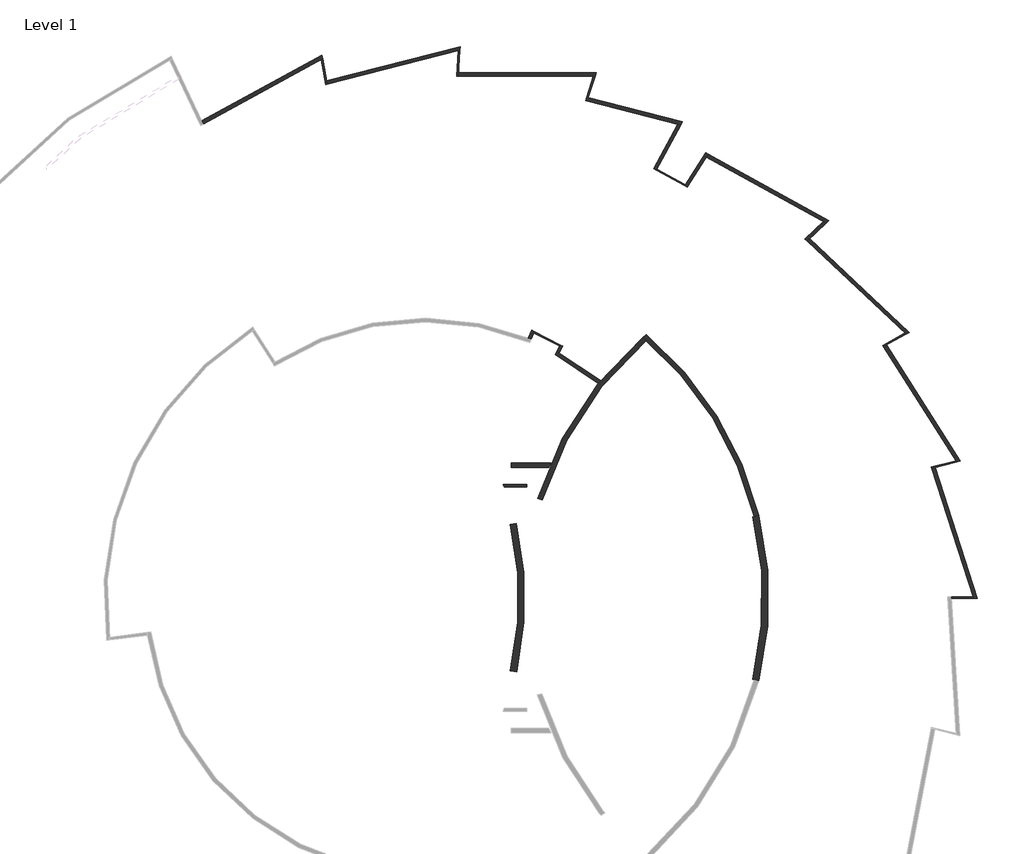
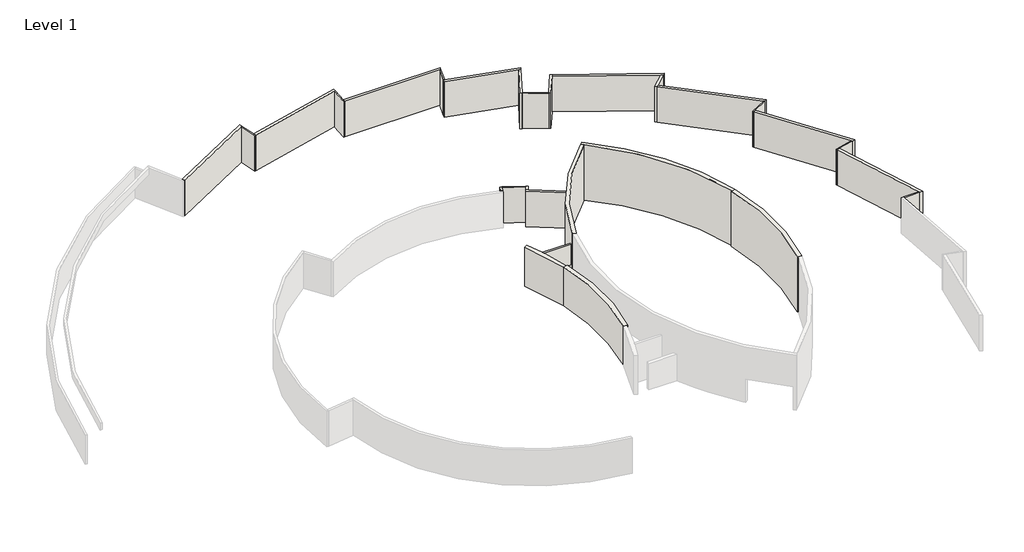
# One storey, part 3 of 3: 29 walls.
"""IFC4 building model written with IfcOpenShell, lengths in millimetres."""

from ifc_helpers import new_model, si_unit, point, frame, frame_2d, origin, origin_with_axes, place, context, project, spatial, polyline, circle_curve, trimmed, segment, composite_curve, outline, extrude, faceted_brep, element, save
from ifc_brep_helpers import plane_surface, cylinder_surface, revolved_surface, advanced_brep

model = new_model("IFC4")

# Units and contexts
model_context = context("Model", 3, world=origin())
ifc_project = project(units=[si_unit("LENGTHUNIT", "METRE", prefix="MILLI")], contexts=[model_context])

# Site, building, storey
site = spatial("IfcSite", under=ifc_project)
building = spatial("IfcBuilding", under=site)
storey = spatial("IfcBuildingStorey", under=building, Name="Level 1", Elevation=0.0)

# Walls
placement = place(None, origin())
element("IfcWall", 1, ObjectType="Generic - 10\"", at=placement, inside=storey, context=model_context, shape_type="Brep", body=[
    faceted_brep([(-20309.038641, 33583.3014268, 0.0), (-12108.4465106, 38075.5646692, 0.0), (-12014.8002829, 38126.8638315, 0.0), (-12014.8002829, 38126.8638315, 3702.05), (-12108.4465106, 38075.5646692, 3702.05), (-20309.038641, 33583.3014268, 3702.05), (-20417.3902767, 33813.5603734, 0.0), (-20417.3902767, 33813.5603734, 3702.05), (-12064.8200832, 38389.0768072, 3702.05), (-12064.8200832, 38389.0768072, 0.0)], [[[0, 1, 2, 3, 4, 5]], [[6, 7, 8, 9]], [[2, 1, 0, 6, 9]], [[3, 2, 9, 8]], [[0, 5, 7, 6]], [[5, 4, 3, 8, 7]]]),
])
element("IfcWall", 2, ObjectType="Generic - 10\"", at=placement, inside=storey, context=model_context, shape_type="Brep", body=[
    faceted_brep([(-11678.55023, 36364.1793247, 0.0), (-2569.0986589, 38688.4885987, 0.0), (-2465.6369168, 38714.8872337, 0.0), (-2465.6369168, 38714.8872337, 3702.05), (-2569.0986589, 38688.4885987, 3702.05), (-11678.55023, 36364.1793247, 3702.05), (-11726.2347283, 36614.1502191, 0.0), (-11726.2347283, 36614.1502191, 3702.05), (-2448.8755377, 38981.3017251, 3702.05), (-2448.8755377, 38981.3017251, 0.0)], [[[0, 1, 2, 3, 4, 5]], [[6, 7, 8, 9]], [[2, 1, 0, 6, 9]], [[3, 2, 9, 8]], [[0, 5, 7, 6]], [[5, 4, 3, 8, 7]]]),
])
element("IfcWall", 3, ObjectType="Generic - 10\"", at=placement, inside=storey, context=model_context, shape_type="Brep", body=[
    faceted_brep([(-2578.3125886, 36923.9587142, 0.0), (6822.9810213, 36909.817055, 0.0), (6929.7573961, 36909.6564393, 0.0), (6929.7573961, 36909.6564393, 3702.05), (6822.9810213, 36909.817055, 3702.05), (-2578.3125886, 36923.9587142, 3702.05), (-2562.3337573, 37177.9349658, 0.0), (-2562.3337573, 37177.9349658, 3702.05), (7012.2467755, 37163.5326441, 3702.05), (7012.2467755, 37163.5326441, 0.0)], [[[0, 1, 2, 3, 4, 5]], [[6, 7, 8, 9]], [[2, 1, 0, 6, 9]], [[3, 2, 9, 8]], [[0, 5, 7, 6]], [[5, 4, 3, 8, 7]]]),
])
element("IfcWall", 4, ObjectType="Generic - 10\"", at=placement, inside=storey, context=model_context, shape_type="Brep", body=[
    faceted_brep([(6276.6806166, 35228.477293, 0.0), (12681.0993627, 33573.8293029, 0.0), (12883.7984788, 33521.4598844, 0.0), (12883.7984788, 33521.4598844, 3702.05), (12681.0993627, 33573.8293029, 3702.05), (6276.6806166, 35228.477293, 3702.05), (6355.318769, 35470.5006399, 0.0), (6355.318769, 35470.5006399, 3702.05), (6453.8739786, 35445.0378796, 3702.05), (13008.3218551, 33751.6283079, 3702.05), (13008.3218551, 33751.6283079, 0.0), (6453.8739786, 35445.0378796, 0.0)], [[[0, 1, 2, 3, 4, 5]], [[6, 7, 8, 9, 10, 11]], [[2, 1, 0, 6, 11, 10]], [[3, 2, 10, 9]], [[0, 5, 7, 6]], [[5, 4, 3, 9, 8, 7]]]),
])
element("IfcWall", 5, ObjectType="Generic - 10\"", at=placement, inside=storey, context=model_context, shape_type="Brep", body=[
    faceted_brep([(14664.0739317, 31284.8937898, 0.0), (22804.3684974, 26793.7701936, 0.0), (22991.3514441, 26690.6088747, 0.0), (22991.3514441, 26690.6088747, 3702.05), (22804.3684974, 26793.7701936, 3702.05), (14664.0739317, 31284.8937898, 3702.05), (14800.4302807, 31499.7570149, 0.0), (14800.4302807, 31499.7570149, 3702.05), (23185.9432326, 26873.3427273, 3702.05), (23185.9432326, 26873.3427273, 0.0)], [[[0, 1, 2, 3, 4, 5]], [[6, 7, 8, 9]], [[2, 1, 0, 6, 9]], [[3, 2, 9, 8]], [[0, 5, 7, 6]], [[5, 4, 3, 8, 7]]]),
])
element("IfcWall", 6, ObjectType="Generic - 10\"", at=placement, inside=storey, context=model_context, shape_type="Brep", body=[
    faceted_brep([(21673.5426477, 25453.1040442, 0.0), (28480.0612096, 19042.0631462, 0.0), (28557.7878879, 18968.8526041, 0.0), (28557.7878879, 18968.8526041, 3702.05), (28480.0612096, 19042.0631462, 3702.05), (21673.5426477, 25453.1040442, 3702.05), (21859.0494225, 25627.306501, 0.0), (21859.0494225, 25627.306501, 3702.05), (28791.7102788, 19097.4525268, 3702.05), (28791.7102788, 19097.4525268, 0.0)], [[[0, 1, 2, 3, 4, 5]], [[6, 7, 8, 9]], [[2, 1, 0, 6, 9]], [[3, 2, 9, 8]], [[0, 5, 7, 6]], [[5, 4, 3, 8, 7]]]),
])
element("IfcWall", 7, ObjectType="Generic - 10\"", at=placement, inside=storey, context=model_context, shape_type="Brep", body=[
    faceted_brep([(26985.2822823, 18104.3603318, 0.0), (32010.8071081, 10159.0081211, 0.0), (32067.8851385, 10068.7677839, 0.0), (32067.8851385, 10068.7677839, 3702.05), (32010.8071081, 10159.0081211, 3702.05), (26985.2822823, 18104.3603318, 3702.05), (27208.2834099, 18226.9562392, 0.0), (27208.2834099, 18226.9562392, 3702.05), (32326.4399276, 10135.1533705, 3702.05), (32326.4399276, 10135.1533705, 0.0)], [[[0, 1, 2, 3, 4, 5]], [[6, 7, 8, 9]], [[2, 1, 0, 6, 9]], [[3, 2, 9, 8]], [[0, 5, 7, 6]], [[5, 4, 3, 8, 7]]]),
])
element("IfcWall", 8, ObjectType="Generic - 10\"", at=placement, inside=storey, context=model_context, shape_type="Brep", body=[
    faceted_brep([(30329.7922024, 9622.5013677, 0.0), (33221.5021798, 676.9698053, 0.0), (33254.3451396, 575.3698053, 0.0), (33254.3451396, 575.3698053, 3702.05), (33221.5021798, 676.9698053, 3702.05), (30329.7922024, 9622.5013677, 3702.05), (30576.2757019, 9685.7875739, 0.0), (30576.2757019, 9685.7875739, 3702.05), (33521.2863786, 575.3698053, 3702.05), (33521.2863786, 575.3698053, 0.0)], [[[0, 1, 2, 3, 4, 5]], [[6, 7, 8, 9]], [[2, 1, 0, 6, 9]], [[3, 2, 9, 8]], [[0, 5, 7, 6]], [[5, 4, 3, 8, 7]]]),
])
element("IfcWall", 9, ObjectType="Generic - 10\"", at=placement, inside=storey, context=model_context, shape_type="AdvancedBrep", body=[
    advanced_brep(
    [(4154.6240339, 17552.852963, 0.0), (4275.7491546, 17776.116233, 0.0), (4454.3715538, 17679.2094634, 0.0), (7329.5883462, 15748.1260068, 0.0), (7170.1048478, 15550.4363322, 0.0), (7170.1048478, 15550.4363322, 3702.05), (4154.6240339, 17552.852963, 3702.05), (4275.7491546, 17776.116233, 3702.05), (4454.3586103, 17679.2167571, 3702.05), (7329.5883462, 15748.1260068, 3702.05)],
    [
        (0, 1),
        (1, 2, circle_curve(frame((-4912.8763403, 626.1698053, 0.0), z_axis=(0.0, 0.0, -1.0), x_axis=(1.0, 0.0, 0.0)), 19456.4)),
        (2, 3, circle_curve(frame((-4912.8763403, 626.1698053, 0.0), z_axis=(0.0, 0.0, -1.0), x_axis=(1.0, 0.0, 0.0)), 19456.3998389)),
        (3, 4, circle_curve(frame((25871.9236597, 626.1698053, 0.0), z_axis=(0.0, 0.0, 1.0), x_axis=(1.0, 0.0, 0.0)), 23926.8)),
        (4, 0, circle_curve(frame((-4912.8763403, 626.1698053, 0.0), z_axis=(0.0, 0.0, 1.0), x_axis=(1.0, 0.0, 0.0)), 19202.4)),
        (5, 6, circle_curve(frame((-4912.8763403, 626.1698053, 3702.05), z_axis=(0.0, 0.0, 1.0), x_axis=(1.0, 0.0, 0.0)), 19202.4)),
        (6, 0),
        (4, 5),
        (7, 8, circle_curve(frame((-4912.8763403, 626.1698053, 3702.05), z_axis=(0.0, 0.0, -1.0), x_axis=(1.0, 0.0, 0.0)), 19456.4)),
        (8, 9, circle_curve(frame((-4912.8763403, 626.1698053, 3702.05), z_axis=(0.0, 0.0, -1.0), x_axis=(1.0, 0.0, 0.0)), 19456.4)),
        (9, 3),
        (1, 7),
        (6, 7),
        (9, 5, circle_curve(frame((25871.9236597, 626.1698053, 3702.05), z_axis=(0.0, 0.0, 1.0), x_axis=(1.0, 0.0, 0.0)), 23926.8)),
    ],
    [
        plane_surface(frame((14289.5236597, 626.1698053, 0.0), z_axis=(0.0, 0.0, -1.0), x_axis=(0.0, 1.0, 0.0))),
        revolved_surface(polyline([(14289.5236597, 626.1698053, 0.0), (14289.5236597, 626.1698053, 3702.05)]), (-4912.8763403, 626.1698053, 0.0), (0.0, 0.0, -1.0)),
        cylinder_surface(frame((-4912.8763403, 626.1698053, 0.0), z_axis=(0.0, 0.0, 1.0), x_axis=(1.0, 0.0, 0.0)), 19456.4),
        plane_surface(frame((6359.1989502, 21616.4245976, 0.0), z_axis=(-0.8789771088318998, 0.47686396608415965, 0.0), x_axis=(-0.47686396608415965, -0.8789771088318998, 0.0))),
        revolved_surface(polyline([(49798.7236597, 626.1698053, 3702.05), (49798.7236597, 626.1698053, 0.0)]), (25871.9236597, 626.1698053, 0.0), (0.0, 0.0, 1.0)),
        plane_surface(frame((-34574.7876747, -20861.6779878, 3702.05), z_axis=(0.0, 0.0, 1.0), x_axis=(1.0, 0.0, 0.0))),
    ],
    [
        (0, [[1, 2, 3, 4, 5]]),
        (1, [[6, 7, -5, 8]]),
        (2, [[9, 10, 11, -3, -2, 12]]),
        (3, [[13, -12, -1, -7]]),
        (4, [[14, -8, -4, -11]]),
        (5, [[-6, -14, -10, -9, -13]]),
    ],
),
])
element("IfcWall", 10, ObjectType="MASONRY WALL - 1'-5\"", at=placement, inside=storey, context=model_context, shape_type="AdvancedBrep", body=[
    advanced_brep(
    [(17896.564685, 6260.3889272, 5759.45), (17890.9914576, -5030.5640983, 5759.45), (18001.9291929, -5058.0833443, 5759.45), (18310.0895685, -5134.5256944, 5759.45), (18315.7652228, 6363.9367381, 5759.45), (18007.5295332, 6287.7986419, 5759.45), (17896.564685, 6260.3889272, 0.0), (18007.5295332, 6287.7986419, 0.0), (18315.7652228, 6363.9367381, 0.0), (18310.0895685, -5134.5256944, 0.0), (18001.9291929, -5058.0833443, 0.0), (17890.9914576, -5030.5640983, 0.0)],
    [
        (0, 1, circle_curve(frame((-4912.8763403, 626.1698053, 5759.45), z_axis=(0.0, 0.0, -1.0), x_axis=(1.0, 0.0, 0.0)), 23495.0)),
        (1, 2),
        (2, 3),
        (3, 4, circle_curve(frame((-4912.8763403, 626.1698053, 5759.45), z_axis=(0.0, 0.0, 1.0), x_axis=(1.0, 0.0, 0.0)), 23926.8)),
        (4, 5),
        (5, 0),
        (6, 7),
        (7, 8),
        (8, 9, circle_curve(frame((-4912.8763403, 626.1698053, 0.0), z_axis=(0.0, 0.0, -1.0), x_axis=(1.0, 0.0, 0.0)), 23926.8)),
        (9, 10),
        (10, 11),
        (11, 6, circle_curve(frame((-4912.8763403, 626.1698053, 0.0), z_axis=(0.0, 0.0, 1.0), x_axis=(1.0, 0.0, 0.0)), 23495.0)),
        (0, 6),
        (11, 1),
        (9, 3),
        (8, 4),
    ],
    [
        plane_surface(frame((18582.1236597, 626.1698053, 5759.45), z_axis=(0.0, 0.0, 1.0), x_axis=(0.0, -1.0, 0.0))),
        plane_surface(frame((18582.1236597, 626.1698053, 0.0), z_axis=(0.0, 0.0, -1.0), x_axis=(0.0, 1.0, 0.0))),
        revolved_surface(polyline([(18582.1236597, 626.1698053, 0.0), (18582.1236597, 626.1698053, 5759.45)]), (-4912.8763403, 626.1698053, 0.0), (0.0, 0.0, -1.0)),
        plane_surface(frame((17890.9914576, -5030.5640983, 5759.45), z_axis=(-0.24076330723907763, -0.9705838603064145, 0.0), x_axis=(0.0, 0.0, -1.0))),
        cylinder_surface(frame((-4912.8763403, 626.1698053, 0.0), z_axis=(0.0, 0.0, 1.0), x_axis=(1.0, 0.0, 0.0)), 23926.8),
        plane_surface(frame((18315.7652228, 6363.9367381, 5759.45), z_axis=(-0.23980502753699615, 0.9708210693881651, 0.0), x_axis=(0.0, 0.0, -1.0))),
    ],
    [
        (0, [[1, 2, 3, 4, 5, 6]]),
        (1, [[7, 8, 9, 10, 11, 12]]),
        (2, [[-1, 13, -12, 14]]),
        (3, [[-3, -2, -14, -11, -10, 15]]),
        (4, [[-4, -15, -9, 16]]),
        (5, [[-6, -5, -16, -8, -7, -13]]),
    ],
),
])
element("IfcWall", 11, ObjectType="MASONRY WALL - 1'-5\"", at=placement, inside=storey, context=model_context, shape_type="AdvancedBrep", body=[
    advanced_brep(
    [(1045.669803, 5721.5107399, 4064.0), (1052.0686943, -4440.8076563, 4064.0), (1361.8286645, -4510.4855642, 4064.0), (1473.3422538, -4535.569611, 4064.0), (1466.8236912, 5816.8031446, 4064.0), (1355.3417796, 5791.5786845, 4064.0), (1052.0686943, -4440.8076563, 0.0), (1045.669803, 5721.5107399, 0.0), (1355.3417796, 5791.5786845, 0.0), (1466.8236912, 5816.8031446, 0.0), (1473.3422538, -4535.569611, 0.0), (1361.8286645, -4510.4855642, 0.0)],
    [
        (0, 1, circle_curve(frame((-21473.6763403, 626.1698053, 4064.0), z_axis=(0.0, 0.0, -1.0), x_axis=(1.0, 0.0, 0.0)), 23088.6)),
        (1, 2),
        (2, 3),
        (3, 4, circle_curve(frame((-21473.6763403, 626.1698053, 4064.0), z_axis=(0.0, 0.0, 1.0), x_axis=(1.0, 0.0, 0.0)), 23520.4)),
        (4, 5),
        (5, 0),
        (6, 7, circle_curve(frame((-21473.6763403, 626.1698053, 0.0), z_axis=(0.0, 0.0, 1.0), x_axis=(1.0, 0.0, 0.0)), 23088.6)),
        (7, 8),
        (8, 9),
        (9, 10, circle_curve(frame((-21473.6763403, 626.1698053, 0.0), z_axis=(0.0, 0.0, -1.0), x_axis=(1.0, 0.0, 0.0)), 23520.4)),
        (10, 11),
        (11, 6),
        (0, 7),
        (6, 1),
        (10, 3),
        (9, 4),
    ],
    [
        plane_surface(frame((1614.9236597, 626.1698053, 4064.0), z_axis=(0.0, 0.0, 1.0), x_axis=(0.0, -1.0, 0.0))),
        plane_surface(frame((1614.9236597, 626.1698053, 0.0), z_axis=(0.0, 0.0, -1.0), x_axis=(0.0, 1.0, 0.0))),
        revolved_surface(polyline([(1614.923659699998, 626.1698053, 0.0), (1614.923659699998, 626.1698053, 4064.0)]), (-21473.6763403, 626.1698053, 0.0), (0.0, 0.0, -1.0)),
        plane_surface(frame((1052.0686943, -4440.8076563, 4064.0), z_axis=(-0.2194579775982623, -0.9756219534576294, 0.0), x_axis=(0.0, 0.0, -1.0))),
        cylinder_surface(frame((-21473.6763403, 626.1698053, 0.0), z_axis=(0.0, 0.0, 1.0), x_axis=(1.0, 0.0, 0.0)), 23520.4),
        plane_surface(frame((1466.8236912, 5816.8031446, 4064.0), z_axis=(-0.22068643982820546, 0.9753448084015991, 0.0), x_axis=(0.0, 0.0, -1.0))),
    ],
    [
        (0, [[1, 2, 3, 4, 5, 6]]),
        (1, [[7, 8, 9, 10, 11, 12]]),
        (2, [[-1, 13, -7, 14]]),
        (3, [[-3, -2, -14, -12, -11, 15]]),
        (4, [[-4, -15, -10, 16]]),
        (5, [[-16, -9, -8, -13, -6, -5]]),
    ],
),
])
element("IfcWall", 12, ObjectType="MASONRY WALL - 12-1/2\"", at=placement, inside=storey, context=model_context, shape_type="AdvancedBrep", body=[
    advanced_brep(
    [(3267.9075836, 7442.143963, 5759.45), (10479.5236597, 18527.9314149, 5759.45), (10234.3911308, 18735.8173625, 5759.45), (2963.9267326, 7533.8057995, 5759.45), (10479.5236597, 18527.9314149, 0.0), (3267.9075836, 7442.143963, 0.0), (2963.9267326, 7533.8057995, 0.0), (3729.9542486, 9693.966917, 0.0), (3862.6565803, 10011.4732264, 0.0), (7170.1075947, 15550.4396949, 0.0), (7329.5859211, 15748.1228734, 0.0), (10234.3911308, 18735.8173625, 0.0)],
    [
        (0, 1, circle_curve(frame((25871.9236597, 626.1698053, 5759.45), z_axis=(0.0, 0.0, -1.0), x_axis=(1.0, 0.0, 0.0)), 23609.3)),
        (1, 2, circle_curve(frame((-4912.8763403, 626.1698053, 5759.45), z_axis=(0.0, 0.0, 1.0), x_axis=(1.0, 0.0, 0.0)), 23609.3)),
        (2, 3, circle_curve(frame((25871.9236597, 626.1698053, 5759.45), z_axis=(0.0, 0.0, 1.0), x_axis=(1.0, 0.0, 0.0)), 23926.8)),
        (3, 0),
        (4, 5, circle_curve(frame((25871.9236597, 626.1698053, 0.0), z_axis=(0.0, 0.0, 1.0), x_axis=(1.0, 0.0, 0.0)), 23609.3)),
        (5, 6),
        (6, 7, circle_curve(frame((25871.9236597, 626.1698053, 0.0), z_axis=(0.0, 0.0, -1.0), x_axis=(1.0, 0.0, 0.0)), 23926.8)),
        (7, 8, circle_curve(frame((25871.9236597, 626.1698053, 0.0), z_axis=(0.0, 0.0, -1.0), x_axis=(1.0, 0.0, 0.0)), 23926.7999085)),
        (8, 9, circle_curve(frame((25871.9236597, 626.1698053, 0.0), z_axis=(0.0, 0.0, -1.0), x_axis=(1.0, 0.0, 0.0)), 23926.7999883)),
        (9, 10, circle_curve(frame((25871.9236597, 626.1698053, 0.0), z_axis=(0.0, 0.0, -1.0), x_axis=(1.0, 0.0, 0.0)), 23926.7999505)),
        (10, 11, circle_curve(frame((25871.9236597, 626.1698053, 0.0), z_axis=(0.0, 0.0, -1.0), x_axis=(1.0, 0.0, 0.0)), 23926.7998991)),
        (11, 4, circle_curve(frame((-4912.8763403, 626.1698053, 0.0), z_axis=(0.0, 0.0, -1.0), x_axis=(1.0, 0.0, 0.0)), 23609.3)),
        (0, 5),
        (4, 1),
        (2, 11),
        (6, 3),
    ],
    [
        plane_surface(frame((49481.2236597, 626.1698053, 5759.45), z_axis=(0.0, 0.0, 1.0), x_axis=(0.0, -1.0, 0.0))),
        plane_surface(frame((49481.2236597, 626.1698053, 0.0), z_axis=(0.0, 0.0, -1.0), x_axis=(0.0, 1.0, 0.0))),
        revolved_surface(polyline([(49481.2236597, 626.1698053, 0.0), (49481.2236597, 626.1698053, 5759.45)]), (25871.9236597, 626.1698053, 0.0), (0.0, 0.0, -1.0)),
        cylinder_surface(frame((25871.9236597, 626.1698053, 0.0), z_axis=(0.0, 0.0, 1.0), x_axis=(1.0, 0.0, 0.0)), 23926.8),
        plane_surface(frame((2963.9267326, 7533.8057995, 5759.45), z_axis=(-0.2886986974535161, -0.9574200029708191, 0.0), x_axis=(0.0, 0.0, -1.0))),
        cylinder_surface(frame((-4912.8763403, 626.1698053, 0.0), z_axis=(0.0, 0.0, -1.0), x_axis=(1.0, 0.0, 0.0)), 23609.3),
    ],
    [
        (0, [[1, 2, 3, 4]]),
        (1, [[5, 6, 7, 8, 9, 10, 11, 12]]),
        (2, [[-1, 13, -5, 14]]),
        (3, [[-3, 15, -11, -10, -9, -8, -7, 16]]),
        (4, [[-4, -16, -6, -13]]),
        (5, [[-2, -14, -12, -15]]),
    ],
),
])
element("IfcWall", 13, ObjectType="MASONRY WALL - 12-1/2\"", at=placement, inside=storey, context=model_context, shape_type="SweptSolid", body=[
    extrude(outline(composite_curve([segment(polyline([(3729.9553326, 9693.9698053), (1102.4071055, 9693.9698053), (1102.4071055, 10011.4698053), (3862.6551087, 10011.4698053)]), True, "CONTINUOUS"), segment(trimmed(circle_curve(frame_2d((25871.9236597, 626.1698053)), 23926.8), [point((3862.6551087, 10011.4698053))], [point((3729.9553326, 9693.9698053))], True, "CARTESIAN"), True, "CONTINUOUS")], self_intersect=False)), origin_with_axes(), (0.0, 0.0, 1.0), 2743.2),
])
element("IfcWall", 14, ObjectType="MASONRY WALL - 12-1/2\"", at=placement, inside=storey, context=model_context, shape_type="AdvancedBrep", body=[
    advanced_brep(
    [(10234.3911308, 18735.8173625, 5759.45), (10479.5350698, 18527.9214702, 5759.45), (18007.5295332, 6287.7986419, 5759.45), (18315.7652228, 6363.9367381, 5759.45), (10479.5236597, 18944.6244475, 5759.45), (10234.3911308, 18735.8173625, 0.0), (10479.5236597, 18944.6244475, 0.0), (18315.7652228, 6363.9367381, 0.0), (18007.5295332, 6287.7986419, 0.0), (10479.5350698, 18527.9214702, 0.0)],
    [
        (0, 1, circle_curve(frame((-4912.8763403, 626.1698053, 5759.45), z_axis=(0.0, 0.0, -1.0), x_axis=(1.0, 0.0, 0.0)), 23609.3)),
        (1, 2, circle_curve(frame((-4912.8763403, 626.1698053, 5759.45), z_axis=(0.0, 0.0, -1.0), x_axis=(1.0, 0.0, 0.0)), 23609.2998983)),
        (2, 3),
        (3, 4, circle_curve(frame((-4912.8763403, 626.1698053, 5759.45), z_axis=(0.0, 0.0, 1.0), x_axis=(1.0, 0.0, 0.0)), 23926.8)),
        (4, 0, circle_curve(frame((25871.9236597, 626.1698053, 5759.45), z_axis=(0.0, 0.0, 1.0), x_axis=(1.0, 0.0, 0.0)), 23926.8)),
        (5, 6, circle_curve(frame((25871.9236597, 626.1698053, 0.0), z_axis=(0.0, 0.0, -1.0), x_axis=(1.0, 0.0, 0.0)), 23926.8)),
        (6, 7, circle_curve(frame((-4912.8763403, 626.1698053, 0.0), z_axis=(0.0, 0.0, -1.0), x_axis=(1.0, 0.0, 0.0)), 23926.8)),
        (7, 8),
        (8, 9, circle_curve(frame((-4912.8763403, 626.1698053, 0.0), z_axis=(0.0, 0.0, 1.0), x_axis=(1.0, 0.0, 0.0)), 23609.3)),
        (9, 5, circle_curve(frame((-4912.8763403, 626.1698053, 0.0), z_axis=(0.0, 0.0, 1.0), x_axis=(1.0, 0.0, 0.0)), 23609.2998983)),
        (0, 5),
        (8, 2),
        (7, 3),
        (6, 4),
    ],
    [
        plane_surface(frame((18696.4236597, 626.1698053, 5759.45), z_axis=(0.0, 0.0, 1.0), x_axis=(0.0, -1.0, 0.0))),
        plane_surface(frame((18696.4236597, 626.1698053, 0.0), z_axis=(0.0, 0.0, -1.0), x_axis=(0.0, 1.0, 0.0))),
        revolved_surface(polyline([(18696.423659699998, 626.1698053, 0.0), (18696.423659699998, 626.1698053, 5759.45)]), (-4912.8763403, 626.1698053, 0.0), (0.0, 0.0, -1.0)),
        plane_surface(frame((18007.5295332, 6287.7986419, 5759.45), z_axis=(0.23980502753685023, -0.9708210693882012, 0.0), x_axis=(0.0, 0.0, -1.0))),
        cylinder_surface(frame((-4912.8763403, 626.1698053, 0.0), z_axis=(0.0, 0.0, 1.0), x_axis=(1.0, 0.0, 0.0)), 23926.8),
        cylinder_surface(frame((25871.9236597, 626.1698053, 0.0), z_axis=(0.0, 0.0, 1.0), x_axis=(1.0, 0.0, 0.0)), 23926.8),
    ],
    [
        (0, [[1, 2, 3, 4, 5]]),
        (1, [[6, 7, 8, 9, 10]]),
        (2, [[-2, -1, 11, -10, -9, 12]]),
        (3, [[-3, -12, -8, 13]]),
        (4, [[-4, -13, -7, 14]]),
        (5, [[-5, -14, -6, -11]]),
    ],
),
])
element("IfcWall", 15, ObjectType="MASONRY WALL - 12-1/2\"", at=placement, inside=storey, context=model_context, shape_type="AdvancedBrep", body=[
    advanced_brep(
    [(-354.4172936, 9956.7832512, 4064.0), (1045.669803, 5721.5107399, 4064.0), (1355.3417796, 5791.5786845, 4064.0), (630.9402366, 8322.3662933, 4064.0), (559.1389847, 8525.5724201, 4064.0), (-63.9984398, 10085.0920169, 4064.0), (-354.4172936, 9956.7832512, 0.0), (-63.9984398, 10085.0920169, 0.0), (559.1389847, 8525.5724201, 0.0), (630.9402366, 8322.3662933, 0.0), (1355.3417796, 5791.5786845, 0.0), (1045.669803, 5721.5107399, 0.0)],
    [
        (0, 1, circle_curve(frame((-21473.6763403, 626.1698053, 4064.0), z_axis=(0.0, 0.0, -1.0), x_axis=(1.0, 0.0, 0.0)), 23088.6)),
        (1, 2),
        (2, 3, circle_curve(frame((-21473.6763403, 626.1698053, 4064.0), z_axis=(0.0, 0.0, 1.0), x_axis=(1.0, 0.0, 0.0)), 23406.1)),
        (3, 4, circle_curve(frame((-21473.6763403, 626.1698053, 4064.0), z_axis=(0.0, 0.0, 1.0), x_axis=(1.0, 0.0, 0.0)), 23406.0999398)),
        (4, 5, circle_curve(frame((-21473.6763403, 626.1698053, 4064.0), z_axis=(0.0, 0.0, 1.0), x_axis=(1.0, 0.0, 0.0)), 23406.0999061)),
        (5, 0),
        (6, 7),
        (7, 8, circle_curve(frame((-21473.6763403, 626.1698053, 0.0), z_axis=(0.0, 0.0, -1.0), x_axis=(1.0, 0.0, 0.0)), 23406.1)),
        (8, 9, circle_curve(frame((-21473.6763403, 626.1698053, 0.0), z_axis=(0.0, 0.0, -1.0), x_axis=(1.0, 0.0, 0.0)), 23406.0999061)),
        (9, 10, circle_curve(frame((-21473.6763403, 626.1698053, 0.0), z_axis=(0.0, 0.0, -1.0), x_axis=(1.0, 0.0, 0.0)), 23406.0999398)),
        (10, 11),
        (11, 6, circle_curve(frame((-21473.6763403, 626.1698053, 0.0), z_axis=(0.0, 0.0, 1.0), x_axis=(1.0, 0.0, 0.0)), 23088.6)),
        (0, 6),
        (11, 1),
        (10, 2),
        (7, 5),
    ],
    [
        plane_surface(frame((1614.9236597, 626.1698053, 4064.0), z_axis=(0.0, 0.0, 1.0), x_axis=(0.0, -1.0, 0.0))),
        plane_surface(frame((1614.9236597, 626.1698053, 0.0), z_axis=(0.0, 0.0, -1.0), x_axis=(0.0, 1.0, 0.0))),
        revolved_surface(polyline([(1614.923659699998, 626.1698053, 0.0), (1614.923659699998, 626.1698053, 4064.0)]), (-21473.6763403, 626.1698053, 0.0), (0.0, 0.0, -1.0)),
        plane_surface(frame((1045.669803, 5721.5107399, 4064.0), z_axis=(0.2206864398280872, -0.9753448084016259, 0.0), x_axis=(0.0, 0.0, -1.0))),
        cylinder_surface(frame((-21473.6763403, 626.1698053, 0.0), z_axis=(0.0, 0.0, 1.0), x_axis=(1.0, 0.0, 0.0)), 23406.1),
        plane_surface(frame((-63.9984398, 10085.0920169, 4064.0), z_axis=(-0.4041220968756185, 0.9147050512689067, 0.0), x_axis=(0.0, 0.0, -1.0))),
    ],
    [
        (0, [[1, 2, 3, 4, 5, 6]]),
        (1, [[7, 8, 9, 10, 11, 12]]),
        (2, [[-1, 13, -12, 14]]),
        (3, [[-2, -14, -11, 15]]),
        (4, [[-5, -4, -3, -15, -10, -9, -8, 16]]),
        (5, [[-6, -16, -7, -13]]),
    ],
),
])
element("IfcWall", 16, ObjectType="MASONRY WALL - 4\"", at=placement, inside=storey, context=model_context, shape_type="Brep", body=[
    faceted_brep([(-11678.55023, 36364.1793247, 0.0), (-11726.2347283, 36614.1502191, 0.0), (-12014.8002829, 38126.8638315, 0.0), (-12014.8002829, 38126.8638315, 3702.05), (-11726.2347283, 36614.1502191, 3702.05), (-11678.55023, 36364.1793247, 3702.05), (-11777.1815969, 36339.0131773, 0.0), (-11777.1815969, 36339.0131773, 3702.05), (-12108.4465106, 38075.5646692, 3702.05), (-12108.4465106, 38075.5646692, 0.0)], [[[0, 1, 2, 3, 4, 5]], [[6, 7, 8, 9]], [[2, 1, 0, 6, 9]], [[0, 5, 7, 6]], [[3, 2, 9, 8]], [[5, 4, 3, 8, 7]]]),
])
element("IfcWall", 17, ObjectType="MASONRY WALL - 4\"", at=placement, inside=storey, context=model_context, shape_type="Brep", body=[
    faceted_brep([(-2578.3125886, 36923.9587142, 0.0), (-2562.3337573, 37177.9349658, 0.0), (-2465.6369168, 38714.8872337, 0.0), (-2465.6369168, 38714.8872337, 3702.05), (-2562.3337573, 37177.9349658, 3702.05), (-2578.3125886, 36923.9587142, 3702.05), (-2680.1038361, 36924.1118311, 0.0), (-2680.1038361, 36924.1118311, 3702.05), (-2569.0986589, 38688.4885987, 3702.05), (-2569.0986589, 38688.4885987, 0.0)], [[[0, 1, 2, 3, 4, 5]], [[6, 7, 8, 9]], [[2, 1, 0, 6, 9]], [[0, 5, 7, 6]], [[3, 2, 9, 8]], [[5, 4, 3, 8, 7]]]),
])
element("IfcWall", 18, ObjectType="MASONRY WALL - 4\"", at=placement, inside=storey, context=model_context, shape_type="Brep", body=[
    faceted_brep([(26985.2822823, 18104.3603318, 0.0), (27208.2834099, 18226.9562392, 0.0), (28557.7878879, 18968.8526041, 0.0), (28557.7878879, 18968.8526041, 3702.05), (27208.2834099, 18226.9562392, 3702.05), (26985.2822823, 18104.3603318, 3702.05), (26930.8690853, 18190.3875688, 0.0), (26930.8690853, 18190.3875688, 3702.05), (28480.0612096, 19042.0631462, 3702.05), (28480.0612096, 19042.0631462, 0.0)], [[[0, 1, 2, 3, 4, 5]], [[6, 7, 8, 9]], [[2, 1, 0, 6, 9]], [[0, 5, 7, 6]], [[3, 2, 9, 8]], [[5, 4, 3, 8, 7]]]),
])
element("IfcWall", 19, ObjectType="MASONRY WALL - 4\"", at=placement, inside=storey, context=model_context, shape_type="Brep", body=[
    faceted_brep([(30329.7922024, 9622.5013677, 0.0), (30576.2757019, 9685.7875739, 0.0), (32067.8851385, 10068.7677839, 0.0), (32067.8851385, 10068.7677839, 3702.05), (30576.2757019, 9685.7875739, 3702.05), (30329.7922024, 9622.5013677, 3702.05), (30298.4825999, 9719.3579126, 0.0), (30298.4825999, 9719.3579126, 3702.05), (32010.8071081, 10159.0081211, 3702.05), (32010.8071081, 10159.0081211, 0.0)], [[[0, 1, 2, 3, 4, 5]], [[6, 7, 8, 9]], [[2, 1, 0, 6, 9]], [[0, 5, 7, 6]], [[3, 2, 9, 8]], [[5, 4, 3, 8, 7]]]),
])
element("IfcWall", 20, ObjectType="MASONRY WALL - 4\"", at=placement, inside=storey, context=model_context, shape_type="SweptSolid", body=[
    extrude(outline(polyline([(33254.3451396, 575.3698053), (31714.3540512, 575.3698053), (31708.1153406, 676.9698053), (33221.5021798, 676.9698053), (33254.3451396, 575.3698053)])), origin_with_axes(), (0.0, 0.0, 1.0), 3702.05),
])
element("IfcWall", 21, ObjectType="MASONRY WALL - 4\"", at=placement, inside=storey, context=model_context, shape_type="SweptSolid", body=[
    extrude(outline(polyline([(6929.7573961, 36909.6564393), (6453.8739786, 35445.0378796), (6355.318769, 35470.5006399), (6822.9810213, 36909.817055), (6929.7573961, 36909.6564393)])), origin_with_axes(), (0.0, 0.0, 1.0), 3702.05),
])
element("IfcWall", 22, ObjectType="MASONRY WALL - 4\"", at=placement, inside=storey, context=model_context, shape_type="SweptSolid", body=[
    extrude(outline(polyline([(4468.6380445, 18131.6577099), (2660.7578723, 19052.8186673), (2699.0448146, 19147.3388415), (4517.1036086, 18220.9916173), (4468.6380445, 18131.6577099)])), origin_with_axes(), (0.0, 0.0, 1.0), 3702.05),
])
element("IfcWall", 23, ObjectType="MASONRY WALL - 4\"", at=placement, inside=storey, context=model_context, shape_type="SweptSolid", body=[
    extrude(outline(polyline([(13156.2494705, 29288.1696442), (11182.6372009, 30377.0413751), (11230.983824, 30466.405046), (13210.7920101, 29374.1149343), (13156.2494705, 29288.1696442)])), origin_with_axes(), (0.0, 0.0, 1.0), 3702.05),
])
element("IfcWall", 24, ObjectType="MASONRY WALL - 8\"", at=placement, inside=storey, context=model_context, shape_type="Brep", body=[
    faceted_brep([(13334.5026415, 29189.8246745, 0.0), (14664.0739317, 31284.8937898, 0.0), (14800.4302807, 31499.7570149, 0.0), (14800.4302807, 31499.7570149, 3702.05), (14664.0739317, 31284.8937898, 3702.05), (13334.5026415, 29189.8246745, 3702.05), (13156.2494705, 29288.1696442, 0.0), (13156.2494705, 29288.1696442, 3702.05), (13210.7920101, 29374.1149343, 3702.05), (14622.1771097, 31598.1019846, 3702.05), (14622.1771097, 31598.1019846, 0.0), (13210.7920101, 29374.1149343, 0.0)], [[[0, 1, 2, 3, 4, 5]], [[6, 7, 8, 9, 10, 11]], [[2, 1, 0, 6, 11, 10]], [[3, 2, 10, 9]], [[0, 5, 7, 6]], [[5, 4, 3, 9, 8, 7]]]),
])
element("IfcWall", 25, ObjectType="MASONRY WALL - 8\"", at=placement, inside=storey, context=model_context, shape_type="Brep", body=[
    faceted_brep([(21673.5426477, 25453.1040442, 0.0), (21859.0494225, 25627.306501, 0.0), (22991.3514441, 26690.6088747, 0.0), (22991.3514441, 26690.6088747, 3702.05), (21859.0494225, 25627.306501, 3702.05), (21673.5426477, 25453.1040442, 3702.05), (21525.3470273, 25592.6890868, 0.0), (21525.3470273, 25592.6890868, 3702.05), (22804.3684974, 26793.7701936, 3702.05), (22804.3684974, 26793.7701936, 0.0)], [[[0, 1, 2, 3, 4, 5]], [[6, 7, 8, 9]], [[2, 1, 0, 6, 9]], [[0, 5, 7, 6]], [[3, 2, 9, 8]], [[5, 4, 3, 8, 7]]]),
])
element("IfcWall", 26, ObjectType="MASONRY WALL - 8\"", at=placement, inside=storey, context=model_context, shape_type="AdvancedBrep", body=[
    advanced_brep(
    [(4517.1036086, 18220.9916173, 0.0), (4468.6380445, 18131.6577099, 0.0), (4275.7491546, 17776.116233, 0.0), (4275.7491546, 17776.116233, 3702.05), (4468.6380445, 18131.6577099, 3702.05), (4517.1036086, 18220.9916173, 3702.05), (4454.3573032, 17679.2174751, 0.0), (4698.2166172, 18128.7099302, 0.0), (4698.2166172, 18128.7099302, 3702.05), (4454.3573032, 17679.2174751, 3702.05)],
    [
        (0, 1),
        (1, 2),
        (2, 3),
        (3, 4),
        (4, 5),
        (5, 0),
        (6, 7),
        (7, 8),
        (8, 9),
        (9, 6),
        (0, 7),
        (6, 2, circle_curve(frame((-4912.8763403, 626.1698053, 0.0), z_axis=(0.0, 0.0, 1.0), x_axis=(1.0, 0.0, 0.0)), 19456.4)),
        (5, 8),
        (9, 3, circle_curve(frame((-4912.8763403, 626.1698053, 3702.05), z_axis=(0.0, 0.0, 1.0), x_axis=(1.0, 0.0, 0.0)), 19456.4)),
    ],
    [
        plane_surface(frame((6359.1989502, 21616.4245976, 0.0), z_axis=(-0.8789771088318998, 0.47686396608415965, 0.0), x_axis=(-0.47686396608415965, -0.8789771088318998, 0.0))),
        plane_surface(frame((6537.8070987, 21519.5258396, 0.0), z_axis=(0.8789771088318998, -0.47686396608415965, 0.0), x_axis=(0.47686396608415965, 0.8789771088318998, 0.0))),
        plane_surface(frame((4494.1232566, 18178.633199, 0.0), z_axis=(0.0, 0.0, -1.0), x_axis=(0.8789771088319028, -0.4768639660841541, 0.0))),
        plane_surface(frame((2616.018318, 19189.6429545, 0.0), z_axis=(0.45399049973954925, 0.8910065241883667, 0.0), x_axis=(-0.8910065241883667, 0.45399049973954925, 0.0))),
        revolved_surface(polyline([(14543.5236597, 626.1698053, 3702.05), (14543.5236597, 626.1698053, 0.0)]), (-4912.8763403, 626.1698053, 0.0), (0.0, 0.0, 1.0)),
        plane_surface(frame((-34574.7876747, -20861.6779878, 3702.05), z_axis=(0.0, 0.0, 1.0), x_axis=(1.0, 0.0, 0.0))),
    ],
    [
        (0, [[1, 2, 3, 4, 5, 6]]),
        (1, [[7, 8, 9, 10]]),
        (2, [[-2, -1, 11, -7, 12]]),
        (3, [[-6, 13, -8, -11]]),
        (4, [[-3, -12, -10, 14]]),
        (5, [[-5, -4, -14, -9, -13]]),
    ],
),
])
element("IfcWall", 27, ObjectType="MASONRY WALL - 8\"", at=placement, inside=storey, context=model_context, shape_type="AdvancedBrep", body=[
    advanced_brep(
    [(2485.809319, 18620.9176911, 0.0), (2660.7578723, 19052.8186673, 0.0), (2699.0448146, 19147.3388415, 0.0), (2699.0448146, 19147.3388415, 3702.05), (2660.7578723, 19052.8186673, 3702.05), (2485.809319, 18620.9176911, 3702.05), (2517.3148365, 19239.9348903, 0.0), (2297.4736744, 18697.2061238, 0.0), (2297.4736744, 18697.2061238, 3702.05), (2517.3148365, 19239.9348903, 3702.05)],
    [
        (0, 1),
        (1, 2),
        (2, 3),
        (3, 4),
        (4, 5),
        (5, 0),
        (6, 7),
        (7, 8),
        (8, 9),
        (9, 6),
        (0, 7, circle_curve(frame((-4912.8763403, 626.1698053, 0.0), z_axis=(0.0, 0.0, 1.0), x_axis=(1.0, 0.0, 0.0)), 19456.4)),
        (6, 2),
        (9, 3),
        (5, 8, circle_curve(frame((-4912.8763403, 626.1698053, 3702.05), z_axis=(0.0, 0.0, 1.0), x_axis=(1.0, 0.0, 0.0)), 19456.4)),
    ],
    [
        plane_surface(frame((-4818.708518, 588.0255889, 0.0), z_axis=(0.926848644808108, -0.375435200290774, 0.0), x_axis=(0.375435200290774, 0.926848644808108, 0.0))),
        plane_surface(frame((-5007.0441626, 664.3140216, 0.0), z_axis=(-0.926848644808108, 0.375435200290774, 0.0), x_axis=(-0.375435200290774, -0.926848644808108, 0.0))),
        plane_surface(frame((2438.2286425, 18503.4537839, 0.0), z_axis=(0.0, 0.0, -1.0), x_axis=(-0.9268486448081058, 0.3754352002907796, 0.0))),
        plane_surface(frame((2616.018318, 19189.6429545, 0.0), z_axis=(0.45399049973954925, 0.8910065241883667, 0.0), x_axis=(-0.8910065241883667, 0.45399049973954925, 0.0))),
        revolved_surface(polyline([(14543.5236597, 626.1698053, 3702.05), (14543.5236597, 626.1698053, 0.0)]), (-4912.8763403, 626.1698053, 0.0), (0.0, 0.0, 1.0)),
        plane_surface(frame((-34574.7876747, -20861.6779878, 3702.05), z_axis=(0.0, 0.0, 1.0), x_axis=(1.0, 0.0, 0.0))),
    ],
    [
        (0, [[1, 2, 3, 4, 5, 6]]),
        (1, [[7, 8, 9, 10]]),
        (2, [[-2, -1, 11, -7, 12]]),
        (3, [[-3, -12, -10, 13]]),
        (4, [[-6, 14, -8, -11]]),
        (5, [[-5, -4, -13, -9, -14]]),
    ],
),
])
element("IfcWall", 28, ObjectType="MASONRY WALL - 8\"", at=placement, inside=storey, context=model_context, shape_type="Brep", body=[
    faceted_brep([(11182.6372009, 30377.0413751, 0.0), (11230.983824, 30466.405046, 0.0), (12883.7984788, 33521.4598844, 0.0), (12883.7984788, 33521.4598844, 3702.05), (11230.983824, 30466.405046, 3702.05), (11182.6372009, 30377.0413751, 3702.05), (11004.7130904, 30475.2047972, 0.0), (11004.7130904, 30475.2047972, 3702.05), (12681.0993627, 33573.8293029, 3702.05), (12681.0993627, 33573.8293029, 0.0)], [[[0, 1, 2, 3, 4, 5]], [[6, 7, 8, 9]], [[2, 1, 0, 6, 9]], [[0, 5, 7, 6]], [[3, 2, 9, 8]], [[5, 4, 3, 8, 7]]]),
])
element("IfcWall", 29, ObjectType="MASONRY WALL - 8\"", at=placement, inside=storey, context=model_context, shape_type="AdvancedBrep", body=[
    advanced_brep(
    [(630.9390775, 8322.3698053, 0.0), (2184.6445888, 8322.3698053, 0.0), (2184.6445888, 8322.3698053, 1955.8), (3313.3446752, 8322.3698053, 1955.8), (3313.3446752, 8322.3698053, 4064.0), (630.9390775, 8322.3698053, 4064.0), (559.1400219, 8525.5698053, 0.0), (559.1400219, 8525.5698053, 4064.0), (3313.3446752, 8525.5698053, 4064.0), (3313.3446752, 8525.5698053, 1955.8), (2184.6445888, 8525.5698053, 1955.8), (2184.6445888, 8525.5698053, 0.0)],
    [
        (0, 1),
        (1, 2),
        (2, 3),
        (3, 4),
        (4, 5),
        (5, 0),
        (6, 7),
        (7, 8),
        (8, 9),
        (9, 10),
        (10, 11),
        (11, 6),
        (0, 6, circle_curve(frame((-21473.6763403, 626.1698053, 0.0), z_axis=(0.0, 0.0, 1.0), x_axis=(1.0, 0.0, 0.0)), 23406.1)),
        (11, 1),
        (10, 2),
        (9, 3),
        (8, 4),
        (7, 5, circle_curve(frame((-21473.6763403, 626.1698053, 4064.0), z_axis=(0.0, 0.0, -1.0), x_axis=(1.0, 0.0, 0.0)), 23406.1)),
    ],
    [
        plane_surface(frame((1107.5892927, 8322.3698053, 0.0), z_axis=(0.0, -1.0, 0.0), x_axis=(1.0, 0.0, 0.0))),
        plane_surface(frame((1107.5892927, 8525.5698053, 0.0), z_axis=(0.0, 1.0, 0.0), x_axis=(-1.0, 0.0, 0.0))),
        plane_surface(frame((426.8624016, 8322.3698053, 0.0), z_axis=(0.0, 0.0, -1.0), x_axis=(0.0, 1.0, 0.0))),
        plane_surface(frame((2184.6445888, 8322.3698053, 0.0), z_axis=(1.0, 0.0, 0.0), x_axis=(0.0, 1.0, 0.0))),
        plane_surface(frame((2184.6445888, 8322.3698053, 1955.8), z_axis=(0.0, 0.0, -1.0), x_axis=(0.0, 1.0, 0.0))),
        plane_surface(frame((3313.3446752, 8322.3698053, 1955.8), z_axis=(1.0, 0.0, 0.0), x_axis=(0.0, 1.0, 0.0))),
        plane_surface(frame((3313.3446752, 8322.3698053, 4064.0), z_axis=(0.0, 0.0, 1.0), x_axis=(0.0, 1.0, 0.0))),
        revolved_surface(polyline([(1932.423659699998, 626.1698053, 4064.0), (1932.423659699998, 626.1698053, 0.0)]), (-21473.6763403, 626.1698053, 0.0), (0.0, 0.0, 1.0)),
    ],
    [
        (0, [[1, 2, 3, 4, 5, 6]]),
        (1, [[7, 8, 9, 10, 11, 12]]),
        (2, [[-1, 13, -12, 14]]),
        (3, [[-2, -14, -11, 15]]),
        (4, [[-3, -15, -10, 16]]),
        (5, [[-4, -16, -9, 17]]),
        (6, [[-5, -17, -8, 18]]),
        (7, [[-6, -18, -7, -13]]),
    ],
),
])

save(model, "model.ifc")
